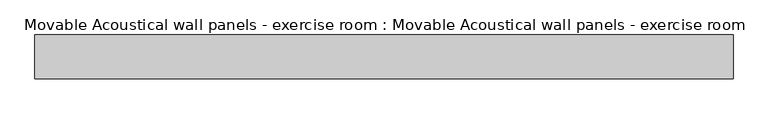
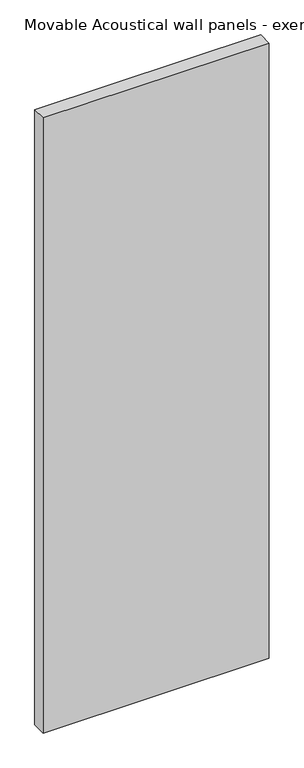
"""IFC4 building model written with IfcOpenShell, lengths in millimetres: proxy geometry, Movable Acoustical wall panels - exercise room : Movable Acoustical wall panels - exercise room."""

from ifc_helpers import new_model, si_unit, origin, origin_with_axes, place, context, project, spatial, polyline, outline, extrude, source, transform, mapped, element, save


def movable_acoustical_wall_panels_exercise_room_movable_58a6da19(model_context):
    return source(origin(), model_context, "Body", "SweptSolid", [
        extrude(outline(polyline([(1219.2, 0.0), (0.0, 0.0), (0.0, 76.2), (1219.2, 76.2), (1219.2, 0.0)])), origin_with_axes(), (0.0, 0.0, 1.0), 3505.2),
    ])


if __name__ == "__main__":
    model = new_model("IFC4")
    model_context = context("Model", 3, world=origin())
    ifc_project = project(units=[si_unit("LENGTHUNIT", "METRE", prefix="MILLI")], contexts=[model_context])
    site = spatial("IfcSite", under=ifc_project)
    building = spatial("IfcBuilding", under=site)
    placement = place(None, origin())
    movable_acoustical_wall_panels_exercise_room_movable_shape = movable_acoustical_wall_panels_exercise_room_movable_58a6da19(model_context)
    element("IfcBuildingElementProxy", 1, Name="Movable Acoustical wall panels - exercise room : Movable Acoustical wall panels - exercise room", ObjectType="Movable Acoustical wall panels - exercise room : Movable Acoustical wall panels - exercise room", at=placement, inside=building, context=model_context, shape_type="MappedRepresentation", body=[
        mapped(movable_acoustical_wall_panels_exercise_room_movable_shape, transform((0.0, 0.0, 0.0), x_axis=(1.0, 0.0, 0.0), y_axis=(0.0, 1.0, 0.0), z_axis=(0.0, 0.0, 1.0))),
    ])
    save(model, "model.ifc")
